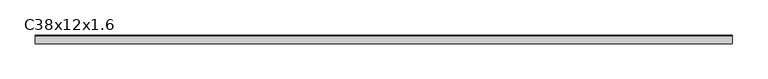
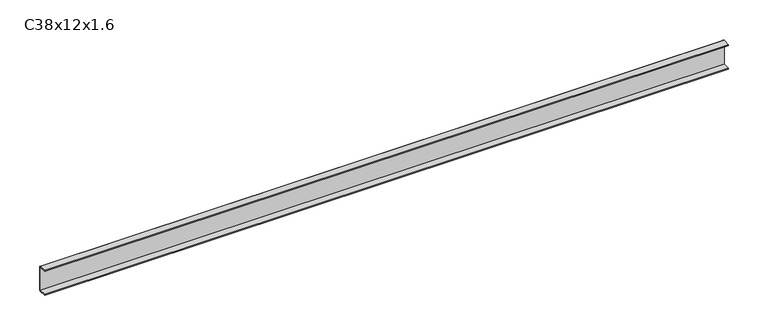
"""IFC4 building model written with IfcOpenShell, lengths in millimetres: proxy geometry, C38x12x1.6."""

from ifc_helpers import new_model, si_unit, point, frame, frame_2d, origin, place, context, project, spatial, polyline, circle_curve, trimmed, segment, composite_curve, outline, extrude, source, transform, mapped, element, save


def c38x12x1_6_ddc1966f(model_context):
    return source(origin(), model_context, "Body", "SweptSolid", [
        extrude(outline(composite_curve([segment(polyline([(-6.0, 36.4), (-6.0, 38.0), (4.4, 38.0)]), True, "CONTINUOUS"), segment(trimmed(circle_curve(frame_2d((4.4, 36.4)), 1.6), [point((4.4, 38.0))], [point((6.0, 36.4))], False, "CARTESIAN"), True, "CONTINUOUS"), segment(polyline([(6.0, 36.4), (6.0, 1.6)]), True, "CONTINUOUS"), segment(trimmed(circle_curve(frame_2d((4.4, 1.6)), 1.6), [point((6.0, 1.6))], [point((4.4, 0.0))], False, "CARTESIAN"), True, "CONTINUOUS"), segment(polyline([(4.4, 0.0), (-6.0, 0.0), (-6.0, 1.6), (4.4, 1.6), (4.4, 36.4), (-6.0, 36.4)]), True, "CONTINUOUS")], self_intersect=False)), frame((0.0, 0.0, 0.0), z_axis=(1.0, 0.0, 0.0), x_axis=(0.0, 1.0, 0.0)), (0.0, 0.0, 1.0), 992.0),
    ])


if __name__ == "__main__":
    model = new_model("IFC4")
    model_context = context("Model", 3, world=origin())
    ifc_project = project(units=[si_unit("LENGTHUNIT", "METRE", prefix="MILLI")], contexts=[model_context])
    site = spatial("IfcSite", under=ifc_project)
    building = spatial("IfcBuilding", under=site)
    placement = place(None, origin())
    c38x12x1_6_shape = c38x12x1_6_ddc1966f(model_context)
    element("IfcBuildingElementProxy", 1, Name="C38x12x1.6", ObjectType="C38x12x1.6", at=placement, inside=building, context=model_context, shape_type="MappedRepresentation", body=[
        mapped(c38x12x1_6_shape, transform((0.0, 0.0, 0.0), x_axis=(1.0, 0.0, 0.0), y_axis=(0.0, 1.0, 0.0), z_axis=(0.0, 0.0, 1.0))),
    ])
    save(model, "model.ifc")
